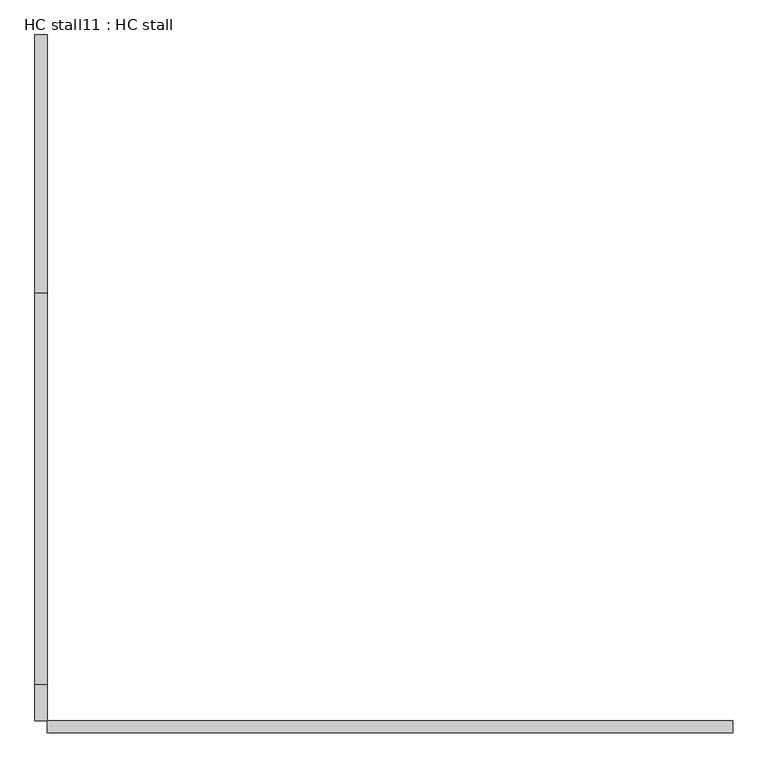
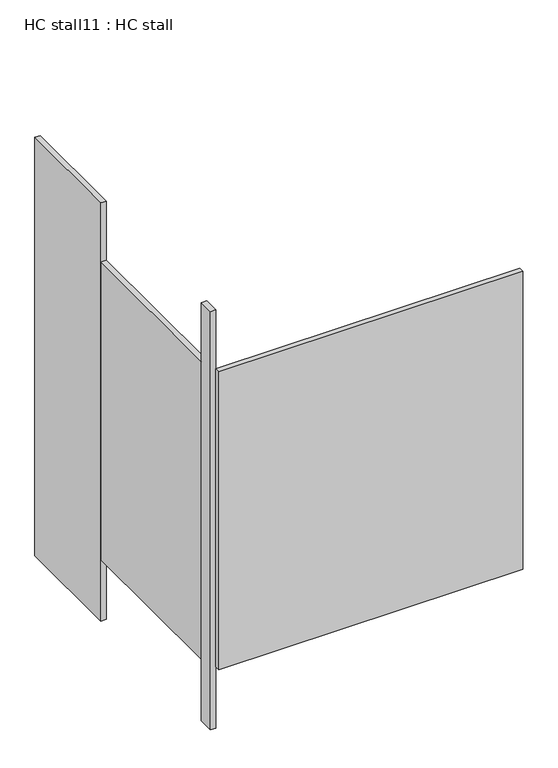
"""IFC4 building model written with IfcOpenShell, lengths in millimetres: proxy geometry, HC stall11 : HC stall."""

from ifc_helpers import new_model, si_unit, frame, origin, origin_with_axes, place, context, project, spatial, polyline, outline, extrude, source, transform, mapped, element, save


def hc_stall11_hc_stall_3cdba8a6(model_context):
    return source(origin(), model_context, "Body", "SweptSolid", [
        extrude(outline(polyline([(456080.6004676, -340695.7705223), (454658.2004676, -340695.7705223), (454658.2004676, -340670.3705223), (456080.6004676, -340670.3705223), (456080.6004676, -340695.7705223)])), frame((0.0, 0.0, 304.8), z_axis=(0.0, 0.0, 1.0), x_axis=(1.0, 0.0, 0.0)), (0.0, 0.0, 1.0), 1473.2),
        extrude(outline(polyline([(454658.2004676, -339782.9580223), (454632.8004676, -339782.9580223), (454632.8004676, -339247.9705223), (454658.2004676, -339247.9705223), (454658.2004676, -339782.9580223)])), origin_with_axes(), (0.0, 0.0, 1.0), 2070.1),
        extrude(outline(polyline([(454658.2004676, -340670.3705223), (454632.8004676, -340670.3705223), (454632.8004676, -340595.7580223), (454658.2004676, -340595.7580223), (454658.2004676, -340670.3705223)])), origin_with_axes(), (0.0, 0.0, 1.0), 2070.1),
        extrude(outline(polyline([(454658.2004676, -340595.7580223), (454632.8004676, -340595.7580223), (454632.8004676, -339782.9580223), (454658.2004676, -339782.9580223), (454658.2004676, -340595.7580223)])), frame((0.0, 0.0, 304.8), z_axis=(0.0, 0.0, 1.0), x_axis=(1.0, 0.0, 0.0)), (0.0, 0.0, 1.0), 1473.2),
    ])


if __name__ == "__main__":
    model = new_model("IFC4")
    model_context = context("Model", 3, world=origin())
    ifc_project = project(units=[si_unit("LENGTHUNIT", "METRE", prefix="MILLI")], contexts=[model_context])
    site = spatial("IfcSite", under=ifc_project)
    building = spatial("IfcBuilding", under=site)
    placement = place(None, origin())
    hc_stall11_hc_stall_shape = hc_stall11_hc_stall_3cdba8a6(model_context)
    element("IfcBuildingElementProxy", 1, Name="HC stall11 : HC stall", ObjectType="HC stall11 : HC stall", at=placement, inside=building, context=model_context, shape_type="MappedRepresentation", body=[
        mapped(hc_stall11_hc_stall_shape, transform((0.0, 0.0, 0.0), x_axis=(1.0, 0.0, 0.0), y_axis=(0.0, 1.0, 0.0), z_axis=(0.0, 0.0, 1.0))),
    ])
    save(model, "model.ifc")
